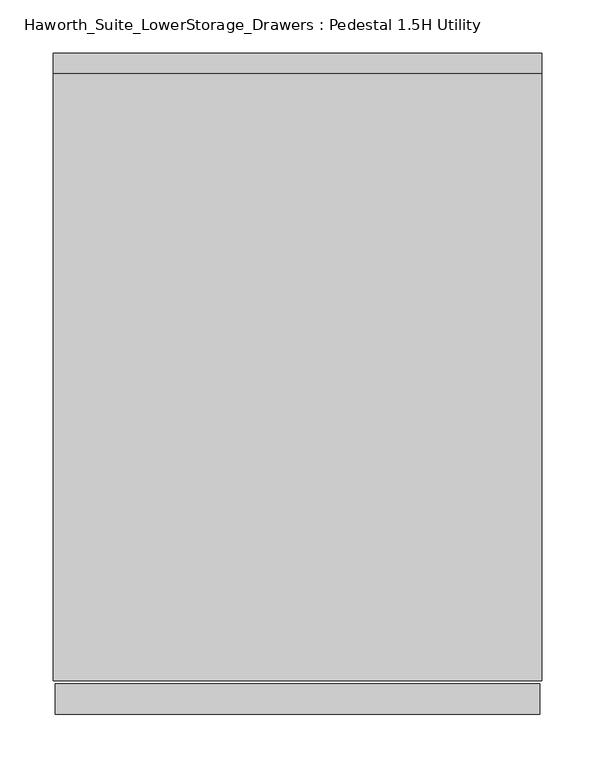
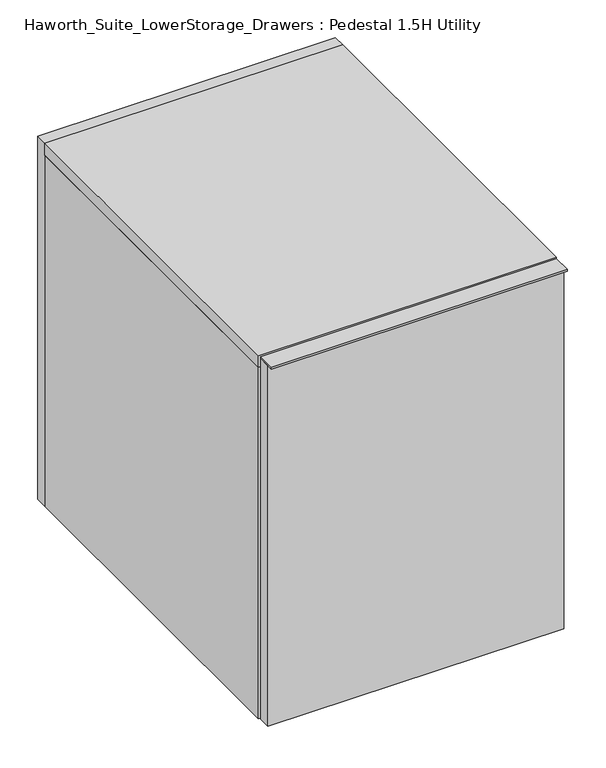
"""IFC4 building model written with IfcOpenShell, lengths in millimetres: furniture geometry, Haworth_Suite_LowerStorage_Drawers : Pedestal 1.5H Utility."""

from ifc_helpers import new_model, si_unit, frame, origin, origin_with_axes, place, context, project, spatial, polyline, outline, extrude, source, transform, mapped, element, save


def haworth_suite_lowerstorage_drawers_pedestal_1_5h_utility_17eec535(model_context):
    return source(origin(), model_context, "Body", "SweptSolid", [
        extrude(outline(polyline([(214.3125, -631.825), (-239.7125, -631.825), (-239.7125, -603.25), (214.3125, -603.25), (214.3125, -631.825)])), frame((0.0, 0.0, 585.7875), z_axis=(0.0, 0.0, 1.0), x_axis=(1.0, 0.0, 0.0)), (0.0, 0.0, 1.0), 3.175),
        extrude(outline(polyline([(214.3125, -603.25), (214.3125, -622.3), (-239.7125, -622.3), (-239.7125, -603.25), (214.3125, -603.25)])), origin_with_axes(), (0.0, 0.0, 1.0), 585.7875),
        extrude(outline(polyline([(215.9, -31.75), (215.9, -600.075), (-241.3, -600.075), (-241.3, -31.75), (215.9, -31.75)])), frame((0.0, 0.0, 569.9125), z_axis=(0.0, 0.0, 1.0), x_axis=(1.0, 0.0, 0.0)), (0.0, 0.0, 1.0), 19.05),
        extrude(outline(polyline([(550.8625, 196.85), (550.8625, -222.25), (38.1, -222.25), (38.1, 196.85), (550.8625, 196.85)]), holes=[polyline([(449.2625, 95.25), (139.7, 95.25), (139.7, -120.65), (449.2625, -120.65), (449.2625, 95.25)])]), frame((0.0, -152.4, 0.0), z_axis=(0.0, 1.0, 0.0), x_axis=(0.0, 0.0, 1.0)), (0.0, 0.0, 1.0), 19.05),
        extrude(outline(polyline([(215.9, -12.7), (215.9, -31.75), (-241.3, -31.75), (-241.3, -12.7), (215.9, -12.7)])), origin_with_axes(), (0.0, 0.0, 1.0), 588.9625),
        extrude(outline(polyline([(196.85, -133.35), (196.85, -501.65), (-222.25, -501.65), (-222.25, -133.35), (196.85, -133.35)])), frame((0.0, 0.0, 550.8625), z_axis=(0.0, 0.0, 1.0), x_axis=(1.0, 0.0, 0.0)), (0.0, 0.0, 1.0), 19.05),
        extrude(outline(polyline([(196.85, -31.75), (196.85, -600.075), (-222.25, -600.075), (-222.25, -31.75), (196.85, -31.75)])), origin_with_axes(), (0.0, 0.0, 1.0), 38.1),
        extrude(outline(polyline([(-222.25, -31.75), (-222.25, -600.075), (-241.3, -600.075), (-241.3, -31.75), (-222.25, -31.75)])), origin_with_axes(), (0.0, 0.0, 1.0), 569.9125),
        extrude(outline(polyline([(215.9, -600.075), (196.85, -600.075), (196.85, -31.75), (215.9, -31.75), (215.9, -600.075)])), origin_with_axes(), (0.0, 0.0, 1.0), 569.9125),
    ])


if __name__ == "__main__":
    model = new_model("IFC4")
    model_context = context("Model", 3, world=origin())
    ifc_project = project(units=[si_unit("LENGTHUNIT", "METRE", prefix="MILLI")], contexts=[model_context])
    site = spatial("IfcSite", under=ifc_project)
    building = spatial("IfcBuilding", under=site)
    placement = place(None, origin())
    haworth_suite_lowerstorage_drawers_pedestal_1_5h_utility_shape = haworth_suite_lowerstorage_drawers_pedestal_1_5h_utility_17eec535(model_context)
    element("IfcFurniture", 1, ObjectType="Haworth_Suite_LowerStorage_Drawers : Pedestal 1.5H Utility", at=placement, inside=building, context=model_context, shape_type="MappedRepresentation", body=[
        mapped(haworth_suite_lowerstorage_drawers_pedestal_1_5h_utility_shape, transform((0.0, 0.0, 0.0), x_axis=(1.0, 0.0, 0.0), y_axis=(0.0, 1.0, 0.0), z_axis=(0.0, 0.0, 1.0))),
    ])
    save(model, "model.ifc")
